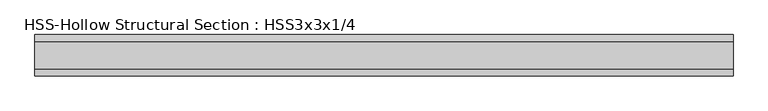
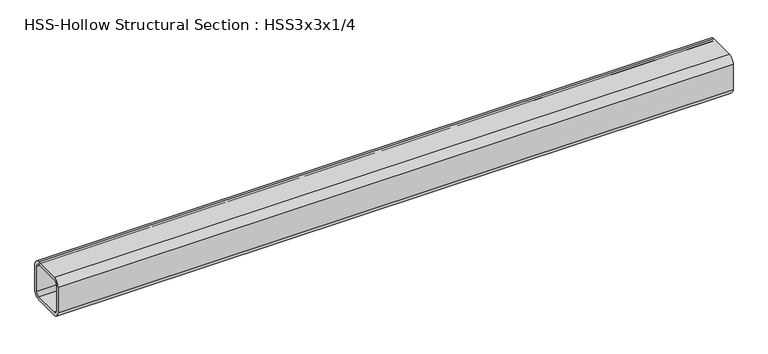
"""IFC4 building model written with IfcOpenShell, lengths in millimetres: beam geometry, HSS-Hollow Structural Section : HSS3x3x1/4."""

from ifc_helpers import new_model, si_unit, point, frame, frame_2d, origin, place, context, project, spatial, polyline, circle_curve, trimmed, segment, composite_curve, outline, extrude, source, transform, mapped, element, save


def hss_hollow_structural_section_hss3x3x1_4_efb9c927(model_context):
    return source(origin(), model_context, "Body", "SweptSolid", [
        extrude(outline(composite_curve([segment(polyline([(38.1, 25.4), (38.1, -25.4)]), True, "CONTINUOUS"), segment(trimmed(circle_curve(frame_2d((25.4, -25.4)), 12.7), [point((38.1, -25.4))], [point((25.4, -38.1))], False, "CARTESIAN"), True, "CONTINUOUS"), segment(polyline([(25.4, -38.1), (-25.4, -38.1)]), True, "CONTINUOUS"), segment(trimmed(circle_curve(frame_2d((-25.4, -25.4)), 12.7), [point((-25.4, -38.1))], [point((-38.1, -25.4))], False, "CARTESIAN"), True, "CONTINUOUS"), segment(polyline([(-38.1, -25.4), (-38.1, 25.4)]), True, "CONTINUOUS"), segment(trimmed(circle_curve(frame_2d((-25.4, 25.4)), 12.7), [point((-38.1, 25.4))], [point((-25.4, 38.1))], False, "CARTESIAN"), True, "CONTINUOUS"), segment(polyline([(-25.4, 38.1), (25.4, 38.1)]), True, "CONTINUOUS"), segment(trimmed(circle_curve(frame_2d((25.4, 25.4)), 12.7), [point((25.4, 38.1))], [point((38.1, 25.4))], False, "CARTESIAN"), True, "CONTINUOUS")], self_intersect=False), holes=[composite_curve([segment(trimmed(circle_curve(frame_2d((-25.4, 25.4)), 6.35), [point((-25.4, 31.75))], [point((-31.75, 25.4))], True, "CARTESIAN"), True, "CONTINUOUS"), segment(polyline([(-31.75, 25.4), (-31.75, -25.4)]), True, "CONTINUOUS"), segment(trimmed(circle_curve(frame_2d((-25.4, -25.4)), 6.35), [point((-31.75, -25.4))], [point((-25.4, -31.75))], True, "CARTESIAN"), True, "CONTINUOUS"), segment(polyline([(-25.4, -31.75), (25.4, -31.75)]), True, "CONTINUOUS"), segment(trimmed(circle_curve(frame_2d((25.4, -25.4)), 6.35), [point((25.4, -31.75))], [point((31.75, -25.4))], True, "CARTESIAN"), True, "CONTINUOUS"), segment(polyline([(31.75, -25.4), (31.75, 25.4)]), True, "CONTINUOUS"), segment(trimmed(circle_curve(frame_2d((25.4, 25.4)), 6.35), [point((31.75, 25.4))], [point((25.4, 31.75))], True, "CARTESIAN"), True, "CONTINUOUS"), segment(polyline([(25.4, 31.75), (-25.4, 31.75)]), True, "CONTINUOUS")], self_intersect=False)]), frame((-634.9999994, 0.0, 0.0), z_axis=(1.0, 0.0, 0.0), x_axis=(0.0, 1.0, 0.0)), (0.0, 0.0, 1.0), 1282.6999994),
    ])


if __name__ == "__main__":
    model = new_model("IFC4")
    model_context = context("Model", 3, world=origin())
    ifc_project = project(units=[si_unit("LENGTHUNIT", "METRE", prefix="MILLI")], contexts=[model_context])
    site = spatial("IfcSite", under=ifc_project)
    building = spatial("IfcBuilding", under=site)
    placement = place(None, origin())
    hss_hollow_structural_section_hss3x3x1_4_shape = hss_hollow_structural_section_hss3x3x1_4_efb9c927(model_context)
    element("IfcBeam", 1, ObjectType="HSS-Hollow Structural Section : HSS3x3x1/4", at=placement, inside=building, context=model_context, shape_type="MappedRepresentation", body=[
        mapped(hss_hollow_structural_section_hss3x3x1_4_shape, transform((0.0, 0.0, 0.0), x_axis=(1.0, 0.0, 0.0), y_axis=(0.0, 1.0, 0.0), z_axis=(0.0, 0.0, 1.0))),
    ])
    save(model, "model.ifc")
